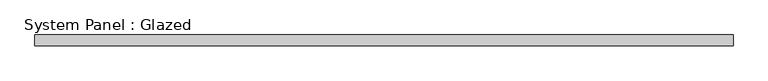
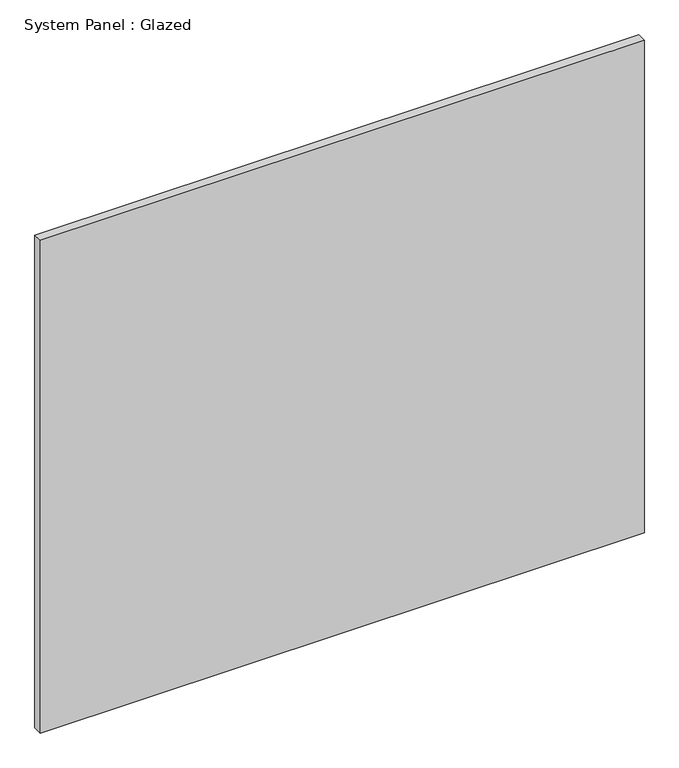
"""IFC4 building model written with IfcOpenShell, lengths in millimetres: plate geometry, System Panel : Glazed."""

from ifc_helpers import new_model, si_unit, origin, origin_with_axes, place, context, project, spatial, polyline, outline, extrude, source, transform, mapped, element, save


def system_panel_glazed_18438a38(model_context):
    return source(origin(), model_context, "Body", "SweptSolid", [
        extrude(outline(polyline([(809.1455333, 24.5), (-809.1455333, 24.5), (-809.1455333, 49.5), (809.1455333, 49.5), (809.1455333, 24.5)])), origin_with_axes(), (0.0, 0.0, 1.0), 1395.0),
    ])


if __name__ == "__main__":
    model = new_model("IFC4")
    model_context = context("Model", 3, world=origin())
    ifc_project = project(units=[si_unit("LENGTHUNIT", "METRE", prefix="MILLI")], contexts=[model_context])
    site = spatial("IfcSite", under=ifc_project)
    building = spatial("IfcBuilding", under=site)
    placement = place(None, origin())
    system_panel_glazed_shape = system_panel_glazed_18438a38(model_context)
    element("IfcPlate", 1, ObjectType="System Panel : Glazed", at=placement, inside=building, context=model_context, shape_type="MappedRepresentation", body=[
        mapped(system_panel_glazed_shape, transform((0.0, 0.0, 0.0), x_axis=(1.0, 0.0, 0.0), y_axis=(0.0, 1.0, 0.0), z_axis=(0.0, 0.0, 1.0))),
    ])
    save(model, "model.ifc")
